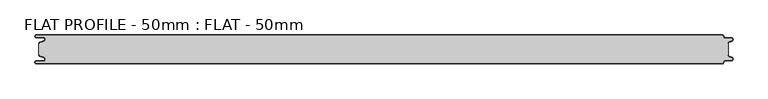
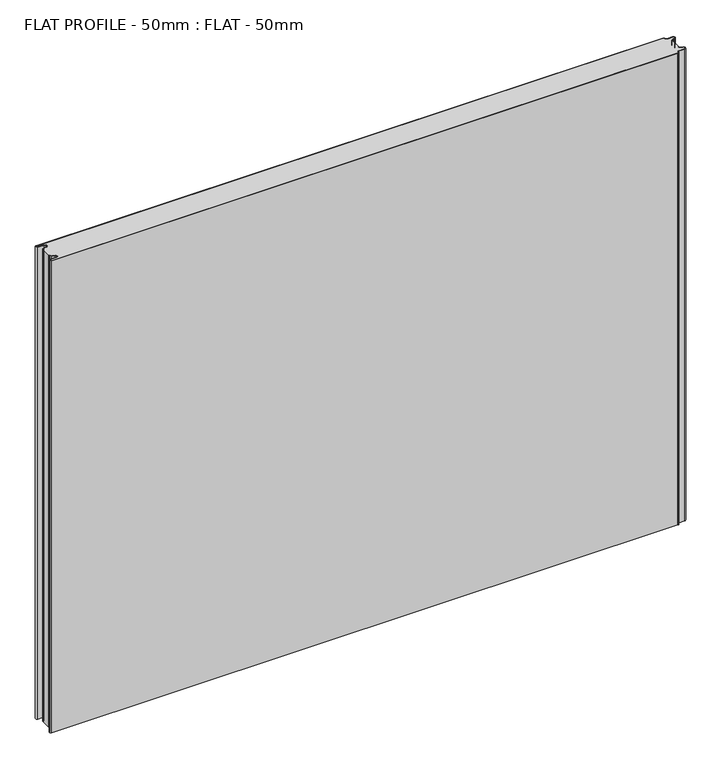
"""IFC4 building model written with IfcOpenShell, lengths in millimetres: proxy geometry, FLAT PROFILE - 50mm : FLAT - 50mm."""

from ifc_helpers import new_model, si_unit, point, frame_2d, origin, origin_with_axes, place, context, project, spatial, polyline, circle_curve, trimmed, segment, composite_curve, outline, extrude, source, transform, mapped, element, save


def flat_profile_50mm_flat_50mm_4b7162d3(model_context):
    return source(origin(), model_context, "Body", "SweptSolid", [
        extrude(outline(composite_curve([segment(polyline([(-591.3794419, 11.1128951), (-589.3904999, 11.9138838), (-583.8995097, 13.9124408)]), True, "CONTINUOUS"), segment(trimmed(circle_curve(frame_2d((-585.2882153, 17.3376476)), 3.6960175), [point((-583.8995097, 13.9124408))], [point((-584.9273771, 21.0160088))], True, "CARTESIAN"), True, "CONTINUOUS"), segment(polyline([(-584.9273771, 21.0160088), (-597.3733883, 21.0160088)]), True, "CONTINUOUS"), segment(trimmed(circle_curve(frame_2d((-597.4921978, 22.5112962)), 1.5), [point((-597.3733883, 21.0160088))], [point((-597.3084562, 24.0))], False, "CARTESIAN"), True, "CONTINUOUS"), segment(polyline([(-597.3084562, 24.0), (596.902372, 24.0)]), True, "CONTINUOUS"), segment(trimmed(circle_curve(frame_2d((596.9047345, 22.4926441)), 1.5073578), [point((596.902372, 24.0))], [point((598.4115951, 22.4539319))], False, "CARTESIAN"), True, "CONTINUOUS"), segment(trimmed(circle_curve(frame_2d((601.9112919, 22.5)), 3.5), [point((598.4115951, 22.4539319))], [point((601.9112919, 19.0))], True, "CARTESIAN"), True, "CONTINUOUS"), segment(polyline([(601.9112919, 19.0), (612.3116271, 19.0)]), True, "CONTINUOUS"), segment(trimmed(circle_curve(frame_2d((612.3116271, 16.9)), 2.1), [point((612.3116271, 19.0))], [point((613.0435993, 14.931697))], False, "CARTESIAN"), True, "CONTINUOUS"), segment(polyline([(613.0435993, 14.931697), (610.7828028, 14.1062983), (607.8546835, 12.9154137)]), True, "CONTINUOUS"), segment(trimmed(circle_curve(frame_2d((608.9399875, 10.2468935)), 2.8807786), [point((607.8546835, 12.9154137))], [point((606.0682599, 10.4750721))], True, "CARTESIAN"), True, "CONTINUOUS"), segment(polyline([(606.0682599, 10.4750721), (606.0107004, 9.2522214), (607.0118076, 9.2522214), (607.0118076, -9.2522214), (606.0107004, -9.2522214), (606.0682599, -10.4750721)]), True, "CONTINUOUS"), segment(trimmed(circle_curve(frame_2d((608.9399875, -10.2468935)), 2.8807786), [point((606.0682599, -10.4750721))], [point((607.8546835, -12.9154137))], True, "CARTESIAN"), True, "CONTINUOUS"), segment(polyline([(607.8546835, -12.9154137), (610.7828028, -14.1062983), (613.0435993, -14.931697)]), True, "CONTINUOUS"), segment(trimmed(circle_curve(frame_2d((612.3116271, -16.9)), 2.1), [point((613.0435993, -14.931697))], [point((612.3116271, -19.0))], False, "CARTESIAN"), True, "CONTINUOUS"), segment(polyline([(612.3116271, -19.0), (601.9112919, -19.0)]), True, "CONTINUOUS"), segment(trimmed(circle_curve(frame_2d((601.9112919, -22.5)), 3.5), [point((601.9112919, -19.0))], [point((598.4115951, -22.4539319))], True, "CARTESIAN"), True, "CONTINUOUS"), segment(trimmed(circle_curve(frame_2d((596.9047345, -22.4926441)), 1.5073578), [point((598.4115951, -22.4539319))], [point((596.902372, -24.0))], False, "CARTESIAN"), True, "CONTINUOUS"), segment(polyline([(596.902372, -24.0), (-597.3084562, -24.0)]), True, "CONTINUOUS"), segment(trimmed(circle_curve(frame_2d((-597.4921978, -22.5112962)), 1.5), [point((-597.3084562, -24.0))], [point((-597.3733883, -21.0160088))], False, "CARTESIAN"), True, "CONTINUOUS"), segment(polyline([(-597.3733883, -21.0160088), (-584.9273771, -21.0160088)]), True, "CONTINUOUS"), segment(trimmed(circle_curve(frame_2d((-585.2882153, -17.3376476)), 3.6960175), [point((-584.9273771, -21.0160088))], [point((-583.8995097, -13.9124408))], True, "CARTESIAN"), True, "CONTINUOUS"), segment(polyline([(-583.8995097, -13.9124408), (-589.3904999, -11.9138838), (-591.3794419, -11.1128951)]), True, "CONTINUOUS"), segment(trimmed(circle_curve(frame_2d((-591.0050311, -10.1831925)), 1.0022625), [point((-591.3794419, -11.1128951))], [point((-591.9881924, -10.3779338))], False, "CARTESIAN"), True, "CONTINUOUS"), segment(polyline([(-591.9881924, -10.3779338), (-591.9881924, -9.2522232), (-592.9881924, -9.2522232), (-592.9881924, 9.2522195), (-591.9881924, 9.2522195), (-591.9881924, 10.3779338)]), True, "CONTINUOUS"), segment(trimmed(circle_curve(frame_2d((-591.0050311, 10.1831925)), 1.0022625), [point((-591.9881924, 10.3779338))], [point((-591.3794419, 11.1128951))], False, "CARTESIAN"), True, "CONTINUOUS")], self_intersect=False)), origin_with_axes(), (0.0, 0.0, 1.0), 949.9887038),
        extrude(outline(composite_curve([segment(trimmed(circle_curve(frame_2d((-591.0050311, 10.1831944)), 1.0022625), [point((-591.3794419, 11.1128969))], [point((-591.9881924, 10.3779357))], True, "CARTESIAN"), True, "CONTINUOUS"), segment(polyline([(-591.9881924, 10.3779357), (-591.9881924, 9.2522214), (-592.9881924, 9.2522214), (-592.9881924, 10.4591051)]), True, "CONTINUOUS"), segment(trimmed(circle_curve(frame_2d((-591.0050311, 10.1831944)), 2.0022625), [point((-592.9881924, 10.4591051))], [point((-591.7530074, 12.0405007))], False, "CARTESIAN"), True, "CONTINUOUS"), segment(polyline([(-591.7530074, 12.0405007), (-589.7483949, 12.8478003), (-584.2598383, 14.8454715)]), True, "CONTINUOUS"), segment(trimmed(circle_curve(frame_2d((-585.2882153, 17.3376495)), 2.6960175), [point((-584.2598383, 14.8454715))], [point((-584.9801705, 20.0160107))], True, "CARTESIAN"), True, "CONTINUOUS"), segment(polyline([(-584.9801705, 20.0160107), (-597.3387672, 20.0160107)]), True, "CONTINUOUS"), segment(trimmed(circle_curve(frame_2d((-597.4921978, 22.511298)), 2.5), [point((-597.3387672, 20.0160107))], [point((-597.2548091, 25.0000019))], False, "CARTESIAN"), True, "CONTINUOUS"), segment(polyline([(-597.2548091, 25.0000019), (596.9016875, 25.0000019)]), True, "CONTINUOUS"), segment(trimmed(circle_curve(frame_2d((596.9047345, 22.4926459)), 2.5073578), [point((596.9016875, 25.0000019))], [point((599.4117582, 22.4517176))], False, "CARTESIAN"), True, "CONTINUOUS"), segment(trimmed(circle_curve(frame_2d((601.9112919, 22.5000019)), 2.5), [point((599.4117582, 22.4517176))], [point((601.9112919, 20.0000019))], True, "CARTESIAN"), True, "CONTINUOUS"), segment(polyline([(601.9112919, 20.0000019), (612.3116271, 20.0000019)]), True, "CONTINUOUS"), segment(trimmed(circle_curve(frame_2d((612.3116271, 16.9000019)), 3.1), [point((612.3116271, 20.0000019))], [point((613.3890842, 13.9932707))], False, "CARTESIAN"), True, "CONTINUOUS"), segment(polyline([(613.3890842, 13.9932707), (611.1427659, 13.1731578), (608.2411829, 12.0549269)]), True, "CONTINUOUS"), segment(trimmed(circle_curve(frame_2d((609.0514567, 10.1592666)), 2.0615701), [point((608.2411829, 12.0549269))], [point((607.0118076, 10.4591051))], True, "CARTESIAN"), True, "CONTINUOUS"), segment(polyline([(607.0118076, 10.4591051), (607.0118076, 9.2522232), (606.0107004, 9.2522232), (606.0682599, 10.475074)]), True, "CONTINUOUS"), segment(trimmed(circle_curve(frame_2d((608.9399875, 10.2468953)), 2.8807786), [point((606.0682599, 10.475074))], [point((607.8546835, 12.9154156))], False, "CARTESIAN"), True, "CONTINUOUS"), segment(polyline([(607.8546835, 12.9154156), (610.7828028, 14.1063001), (613.0435993, 14.9316988)]), True, "CONTINUOUS"), segment(trimmed(circle_curve(frame_2d((612.3116271, 16.9000019)), 2.1), [point((613.0435993, 14.9316988))], [point((612.3116271, 19.0000019))], True, "CARTESIAN"), True, "CONTINUOUS"), segment(polyline([(612.3116271, 19.0000019), (601.9112919, 19.0000019)]), True, "CONTINUOUS"), segment(trimmed(circle_curve(frame_2d((601.9112919, 22.5000019)), 3.5), [point((601.9112919, 19.0000019))], [point((598.4115951, 22.4539337))], False, "CARTESIAN"), True, "CONTINUOUS"), segment(trimmed(circle_curve(frame_2d((596.9047345, 22.4926459)), 1.5073578), [point((598.4115951, 22.4539337))], [point((596.902372, 24.0000019))], True, "CARTESIAN"), True, "CONTINUOUS"), segment(polyline([(596.902372, 24.0000019), (-597.3084562, 24.0000019)]), True, "CONTINUOUS"), segment(trimmed(circle_curve(frame_2d((-597.4921978, 22.511298)), 1.5), [point((-597.3084562, 24.0000019))], [point((-597.3733883, 21.0160107))], True, "CARTESIAN"), True, "CONTINUOUS"), segment(polyline([(-597.3733883, 21.0160107), (-584.9273771, 21.0160107)]), True, "CONTINUOUS"), segment(trimmed(circle_curve(frame_2d((-585.2882153, 17.3376495)), 3.6960175), [point((-584.9273771, 21.0160107))], [point((-583.8995097, 13.9124426))], False, "CARTESIAN"), True, "CONTINUOUS"), segment(polyline([(-583.8995097, 13.9124426), (-589.3904999, 11.9138856), (-591.3794419, 11.1128969)]), True, "CONTINUOUS")], self_intersect=False)), origin_with_axes(), (0.0, 0.0, 1.0), 949.9887038),
        extrude(outline(composite_curve([segment(polyline([(-591.3794419, -11.1128932), (-589.3904999, -11.9138819), (-583.8995097, -13.9124389)]), True, "CONTINUOUS"), segment(trimmed(circle_curve(frame_2d((-585.2882153, -17.3376458)), 3.6960175), [point((-583.8995097, -13.9124389))], [point((-584.9273771, -21.016007))], False, "CARTESIAN"), True, "CONTINUOUS"), segment(polyline([(-584.9273771, -21.016007), (-597.3733883, -21.016007)]), True, "CONTINUOUS"), segment(trimmed(circle_curve(frame_2d((-597.4921978, -22.5112943)), 1.5), [point((-597.3733883, -21.016007))], [point((-597.3084562, -23.9999981))], True, "CARTESIAN"), True, "CONTINUOUS"), segment(polyline([(-597.3084562, -23.9999981), (596.902372, -23.9999981)]), True, "CONTINUOUS"), segment(trimmed(circle_curve(frame_2d((596.9047345, -22.4926422)), 1.5073578), [point((596.902372, -23.9999981))], [point((598.4115951, -22.45393))], True, "CARTESIAN"), True, "CONTINUOUS"), segment(trimmed(circle_curve(frame_2d((601.9112919, -22.4999981)), 3.5), [point((598.4115951, -22.45393))], [point((601.9112919, -18.9999981))], False, "CARTESIAN"), True, "CONTINUOUS"), segment(polyline([(601.9112919, -18.9999981), (612.3116271, -18.9999981)]), True, "CONTINUOUS"), segment(trimmed(circle_curve(frame_2d((612.3116271, -16.8999981)), 2.1), [point((612.3116271, -18.9999981))], [point((613.0435993, -14.9316951))], True, "CARTESIAN"), True, "CONTINUOUS"), segment(polyline([(613.0435993, -14.9316951), (610.7828028, -14.1062964), (607.8546835, -12.9154119)]), True, "CONTINUOUS"), segment(trimmed(circle_curve(frame_2d((608.9399875, -10.2468916)), 2.8807786), [point((607.8546835, -12.9154119))], [point((606.0682599, -10.4750703))], False, "CARTESIAN"), True, "CONTINUOUS"), segment(polyline([(606.0682599, -10.4750703), (606.0107004, -9.2522195), (607.0118076, -9.2522195), (607.0118076, -10.4591014)]), True, "CONTINUOUS"), segment(trimmed(circle_curve(frame_2d((609.0514567, -10.1592629)), 2.0615701), [point((607.0118076, -10.4591014))], [point((608.2411829, -12.0549231))], True, "CARTESIAN"), True, "CONTINUOUS"), segment(polyline([(608.2411829, -12.0549231), (611.1427659, -13.1731541), (613.3890842, -13.993267)]), True, "CONTINUOUS"), segment(trimmed(circle_curve(frame_2d((612.3116271, -16.8999981)), 3.1), [point((613.3890842, -13.993267))], [point((612.3116271, -19.9999981))], False, "CARTESIAN"), True, "CONTINUOUS"), segment(polyline([(612.3116271, -19.9999981), (601.9112919, -19.9999981)]), True, "CONTINUOUS"), segment(trimmed(circle_curve(frame_2d((601.9112919, -22.4999981)), 2.5), [point((601.9112919, -19.9999981))], [point((599.4117582, -22.4517139))], True, "CARTESIAN"), True, "CONTINUOUS"), segment(trimmed(circle_curve(frame_2d((596.9047345, -22.4926422)), 2.5073578), [point((599.4117582, -22.4517139))], [point((596.9016875, -24.9999981))], False, "CARTESIAN"), True, "CONTINUOUS"), segment(polyline([(596.9016875, -24.9999981), (-597.2548091, -24.9999981)]), True, "CONTINUOUS"), segment(trimmed(circle_curve(frame_2d((-597.4921978, -22.5112943)), 2.5), [point((-597.2548091, -24.9999981))], [point((-597.3387672, -20.016007))], False, "CARTESIAN"), True, "CONTINUOUS"), segment(polyline([(-597.3387672, -20.016007), (-584.9801705, -20.016007)]), True, "CONTINUOUS"), segment(trimmed(circle_curve(frame_2d((-585.2882153, -17.3376458)), 2.6960175), [point((-584.9801705, -20.016007))], [point((-584.2598383, -14.8454678))], True, "CARTESIAN"), True, "CONTINUOUS"), segment(polyline([(-584.2598383, -14.8454678), (-589.7483949, -12.8477966), (-591.7530074, -12.040497)]), True, "CONTINUOUS"), segment(trimmed(circle_curve(frame_2d((-591.0050311, -10.1831907)), 2.0022625), [point((-591.7530074, -12.040497))], [point((-592.9881924, -10.4591014))], False, "CARTESIAN"), True, "CONTINUOUS"), segment(polyline([(-592.9881924, -10.4591014), (-592.9881924, -9.2522177), (-591.9881924, -9.2522177), (-591.9881924, -10.3779319)]), True, "CONTINUOUS"), segment(trimmed(circle_curve(frame_2d((-591.0050311, -10.1831907)), 1.0022625), [point((-591.9881924, -10.3779319))], [point((-591.3794419, -11.1128932))], True, "CARTESIAN"), True, "CONTINUOUS")], self_intersect=False)), origin_with_axes(), (0.0, 0.0, 1.0), 949.9887038),
    ])


if __name__ == "__main__":
    model = new_model("IFC4")
    model_context = context("Model", 3, world=origin())
    ifc_project = project(units=[si_unit("LENGTHUNIT", "METRE", prefix="MILLI")], contexts=[model_context])
    site = spatial("IfcSite", under=ifc_project)
    building = spatial("IfcBuilding", under=site)
    placement = place(None, origin())
    flat_profile_50mm_flat_50mm_shape = flat_profile_50mm_flat_50mm_4b7162d3(model_context)
    element("IfcBuildingElementProxy", 1, Name="FLAT PROFILE - 50mm : FLAT - 50mm", ObjectType="FLAT PROFILE - 50mm : FLAT - 50mm", at=placement, inside=building, context=model_context, shape_type="MappedRepresentation", body=[
        mapped(flat_profile_50mm_flat_50mm_shape, transform((0.0, 0.0, 0.0), x_axis=(1.0, 0.0, 0.0), y_axis=(0.0, 1.0, 0.0), z_axis=(0.0, 0.0, 1.0))),
    ])
    save(model, "model.ifc")
